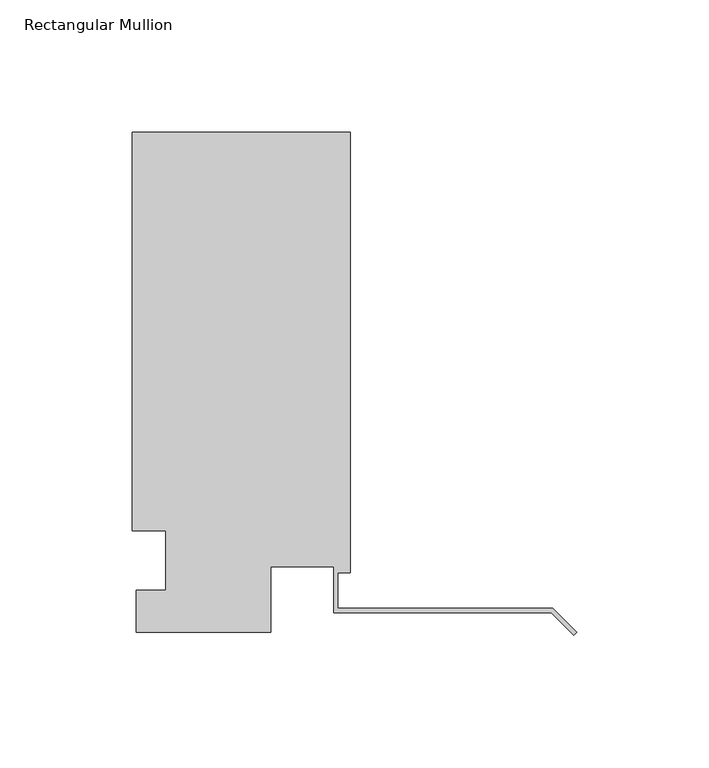
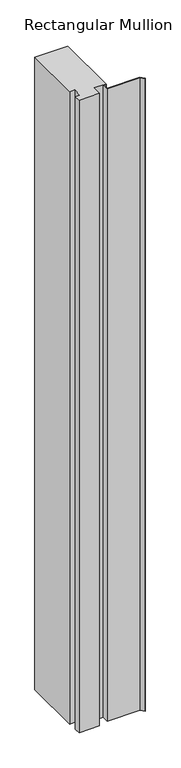
"""IFC4 building model written with IfcOpenShell, lengths in millimetres: member geometry, Rectangular Mullion."""

from ifc_helpers import new_model, si_unit, frame, origin, place, context, project, spatial, polyline, outline, extrude, source, transform, mapped, element, save


def rectangular_mullion_9ffe5d96(model_context):
    return source(origin(), model_context, "Body", "SweptSolid", [
        extrude(outline(polyline([(-166.5396311, -0.3532188), (-166.5396311, 15.5217812), (-155.4144311, 15.5217812), (-155.4144311, 38.0007813), (-168.1144311, 38.0007813), (-168.1144311, 188.8132813), (-85.5771311, 188.8132813), (-85.5771311, 22.1257812), (-90.3396311, 22.1257812), (-90.3396311, 8.7383736), (-8.9802561, 8.7383736), (0.0, -0.2418825), (-1.122532, -1.3644146), (-9.6378202, 7.1508736), (-91.9271311, 7.1508736), (-91.9271311, 24.5133812), (-115.7396311, 24.5133812), (-115.7396311, -0.3532188), (-166.5396311, -0.3532188)])), frame((0.0, 0.0, -1676.4663745), z_axis=(0.0, 0.0, 1.0), x_axis=(1.0, 0.0, 0.0)), (0.0, 0.0, 1.0), 1676.4663745),
    ])


if __name__ == "__main__":
    model = new_model("IFC4")
    model_context = context("Model", 3, world=origin())
    ifc_project = project(units=[si_unit("LENGTHUNIT", "METRE", prefix="MILLI")], contexts=[model_context])
    site = spatial("IfcSite", under=ifc_project)
    building = spatial("IfcBuilding", under=site)
    placement = place(None, origin())
    rectangular_mullion_shape = rectangular_mullion_9ffe5d96(model_context)
    element("IfcMember", 1, ObjectType="Rectangular Mullion", at=placement, inside=building, context=model_context, shape_type="MappedRepresentation", body=[
        mapped(rectangular_mullion_shape, transform((0.0, 0.0, 0.0), x_axis=(1.0, 0.0, 0.0), y_axis=(0.0, 1.0, 0.0), z_axis=(0.0, 0.0, 1.0))),
    ])
    save(model, "model.ifc")
